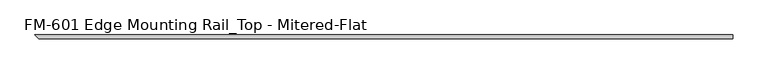
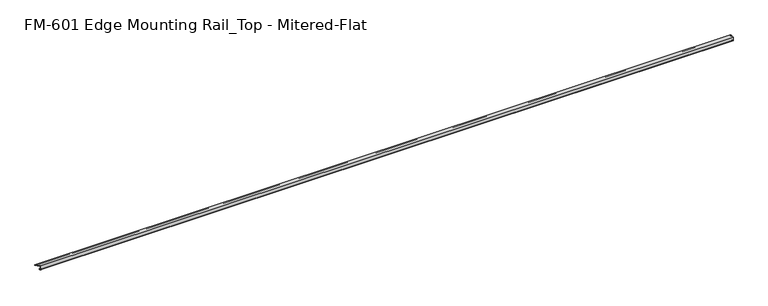
"""IFC4 building model written with IfcOpenShell, lengths in millimetres: proxy geometry, FM-601 Edge Mounting Rail_Top - Mitered-Flat."""

import ifcopenshell
import ifcopenshell.guid

model = None  # the IFC model being written
_history = None  # IfcOwnerHistory: only IFC2X3 demands one
_inside = {}  # id of a spatial element -> (the spatial element, [elements in it])
_under = {}  # id of a project, library or spatial element -> (it, [spatial elements below it])
_declared = {}  # id of a project -> (the project, [libraries it declares])
_typed = {}  # id of a type object -> (the type object, [elements of that type])
_made_of = {}  # id of a material, layer set ... -> (it, [elements and type objects made of it])


def new_model(schema):
    """Start an empty IFC model of exactly this schema.

    Asked for "IFC4X3", IfcOpenShell would pick the latest addendum, in which some entities
    have other attributes; the version numbers below select the first issue.
    IFC2X3 requires an IfcOwnerHistory on every rooted entity: one is made here for all.
    """
    global model, _history
    if schema == "IFC4X3":
        model = ifcopenshell.file(schema_version=(4, 3, 0, 0))
    else:
        model = ifcopenshell.file(schema=schema)
    _inside.clear()
    _under.clear()
    _declared.clear()
    _typed.clear()
    _made_of.clear()
    _history = None
    if model.schema == "IFC2X3":
        org = make("IfcOrganization", Name="unknown")
        user = make(
            "IfcPersonAndOrganization",
            ThePerson=make("IfcPerson", FamilyName="unknown"),
            TheOrganization=org,
        )
        app = make(
            "IfcApplication",
            ApplicationDeveloper=org,
            Version="unknown",
            ApplicationFullName="unknown",
            ApplicationIdentifier="unknown",
        )
        _history = make(
            "IfcOwnerHistory",
            OwningUser=user,
            OwningApplication=app,
            ChangeAction="ADDED",
            CreationDate=0,
        )
    return model


def make(cls, **values):
    """One entity of the class cls with the attributes given. An attribute that is None is left unset."""
    return model.create_entity(
        cls, **{name: value for name, value in values.items() if value is not None}
    )


def rooted(cls, **values):
    """An entity with a GlobalId (a new one), such as an element, a storey or a relation."""
    return make(cls, GlobalId=ifcopenshell.guid.new(), OwnerHistory=_history, **values)


def si_unit(unit_type, name, prefix=None):
    """IfcSIUnit, for example si_unit("LENGTHUNIT", "METRE", prefix="MILLI")."""
    return make("IfcSIUnit", UnitType=unit_type, Prefix=prefix, Name=name)


def assignment(units):
    """IfcUnitAssignment: the units of a project."""
    return None if units is None else make("IfcUnitAssignment", Units=units)


def point(xyz):
    """IfcCartesianPoint."""
    return None if xyz is None else make("IfcCartesianPoint", Coordinates=xyz)


def direction(xyz):
    """IfcDirection."""
    return None if xyz is None else make("IfcDirection", DirectionRatios=xyz)


def frame(location, z_axis=None, x_axis=None):
    """IfcAxis2Placement3D, a coordinate frame: its origin and axes. An axis left out is left unset."""
    return make(
        "IfcAxis2Placement3D",
        Location=point(location),
        Axis=direction(z_axis),
        RefDirection=direction(x_axis),
    )


def origin():
    """The frame at (0, 0, 0) with its axes left unset."""
    return frame((0.0, 0.0, 0.0))


def place(relative_to, where):
    """IfcLocalPlacement: puts the frame where relative to a parent placement (None: the world)."""
    return make(
        "IfcLocalPlacement", PlacementRelTo=relative_to, RelativePlacement=where
    )


def context(
    kind, dimensions, precision=None, world=None, true_north=None, identifier=None
):
    """IfcGeometricRepresentationContext, for example the 3D "Model" context."""
    return make(
        "IfcGeometricRepresentationContext",
        ContextIdentifier=identifier,
        ContextType=kind,
        CoordinateSpaceDimension=dimensions,
        Precision=precision,
        WorldCoordinateSystem=world,
        TrueNorth=true_north,
    )


def project(units=None, contexts=None):
    """IfcProject with its units and contexts."""
    return rooted(
        "IfcProject",
        Name="project",
        RepresentationContexts=contexts,
        UnitsInContext=assignment(units),
    )


def spatial(cls, under=None, at=None, **own):
    """A site, building, storey or space (cls), placed at a placement, below another one or the project."""
    s = rooted(cls, ObjectPlacement=at, **own)
    if under is not None:
        _under.setdefault(under.id(), (under, []))[1].append(s)
    return s


def polyline(points):
    """IfcPolyline through the points."""
    return make("IfcPolyline", Points=[point(p) for p in points])


def circle_curve(where, radius):
    """IfcCircle in the frame where."""
    return make("IfcCircle", Position=where, Radius=radius)


def ellipse_curve(where, semi_axis1, semi_axis2):
    """IfcEllipse in the frame where."""
    return make(
        "IfcEllipse", Position=where, SemiAxis1=semi_axis1, SemiAxis2=semi_axis2
    )


def shape(context_of_items, identifier, shape_type, items):
    """IfcShapeRepresentation: the items that make up one representation, for example the "Body"."""
    return make(
        "IfcShapeRepresentation",
        ContextOfItems=context_of_items,
        RepresentationIdentifier=identifier,
        RepresentationType=shape_type,
        Items=items,
    )


def source(mapping_origin, context_of_items, identifier, shape_type, items):
    """IfcRepresentationMap: a shape defined once, which mapped items show again and again."""
    return make(
        "IfcRepresentationMap",
        MappingOrigin=mapping_origin,
        MappedRepresentation=shape(context_of_items, identifier, shape_type, items),
    )


def transform(
    local_origin,
    x_axis=None,
    y_axis=None,
    z_axis=None,
    scale=None,
    scale2=None,
    scale3=None,
    uniform=True,
):
    """IfcCartesianTransformationOperator3D, or its non-uniform kind. x_axis, y_axis, z_axis: its Axis1, 2, 3."""
    if uniform:
        return make(
            "IfcCartesianTransformationOperator3D",
            Axis1=direction(x_axis),
            Axis2=direction(y_axis),
            LocalOrigin=point(local_origin),
            Scale=scale,
            Axis3=direction(z_axis),
        )
    return make(
        "IfcCartesianTransformationOperator3DnonUniform",
        Axis1=direction(x_axis),
        Axis2=direction(y_axis),
        LocalOrigin=point(local_origin),
        Scale=scale,
        Axis3=direction(z_axis),
        Scale2=scale2,
        Scale3=scale3,
    )


def mapped(mapping_source, mapping_target):
    """IfcMappedItem: shows the shape of a source again, moved by a transform."""
    return make(
        "IfcMappedItem", MappingSource=mapping_source, MappingTarget=mapping_target
    )


def made_of(thing, what):
    """Note that an element or type object is made of a material, layer set ...; save() writes the relation."""
    if what is not None:
        _made_of.setdefault(what.id(), (what, []))[1].append(thing)
    return thing


def element(
    cls,
    number,
    at=None,
    inside=None,
    cuts=None,
    type_object=None,
    material=None,
    context=None,
    identifier="Body",
    shape_type=None,
    held_by="IfcProductDefinitionShape",
    body=None,
    shapes=None,
    **own,
):
    """One element of the class cls, such as IfcWall. Its Tag is "e" and its number.

    at: its placement. inside: the storey or other place that contains it. cuts: it is an
    opening in that element (IfcRelVoidsElement). A single representation is given by context,
    identifier, shape_type and body (its items); several are given by shapes. held_by: the class
    of the entity that holds the representations. save() writes the other relations.
    """
    e = rooted(cls, Tag="e%d" % number, ObjectPlacement=at, **own)
    if body is not None:
        shapes = [shape(context, identifier, shape_type, body)]
    if shapes is not None:
        e.Representation = make(held_by, Representations=shapes)
    if inside is not None:
        _inside.setdefault(inside.id(), (inside, []))[1].append(e)
    if cuts is not None:
        rooted(
            "IfcRelVoidsElement", RelatingBuildingElement=cuts, RelatedOpeningElement=e
        )
    if type_object is not None:
        _typed.setdefault(type_object.id(), (type_object, []))[1].append(e)
    return made_of(e, material)


def aggregate(whole, parts):
    """IfcRelAggregates: a whole, such as a stair, and the parts it consists of."""
    return rooted("IfcRelAggregates", RelatingObject=whole, RelatedObjects=parts)


def save(model, path):
    """Write the relations noted so far, then the file.

    IfcRelAggregates (storeys below a building ...), IfcRelContainedInSpatialStructure (elements
    in a storey), IfcRelDefinesByType, IfcRelAssociatesMaterial and IfcRelDeclares: one each for
    every whole, place, type object, material and project.
    """
    for whole, parts in _under.values():
        aggregate(whole, parts)
    for where, things in _inside.values():
        rooted(
            "IfcRelContainedInSpatialStructure",
            RelatedElements=things,
            RelatingStructure=where,
        )
    for kind, things in _typed.values():
        rooted("IfcRelDefinesByType", RelatedObjects=things, RelatingType=kind)
    for what, things in _made_of.values():
        rooted("IfcRelAssociatesMaterial", RelatedObjects=things, RelatingMaterial=what)
    for by, libraries in _declared.values():
        rooted("IfcRelDeclares", RelatingContext=by, RelatedDefinitions=libraries)
    model.write(path)


def plane_surface(at):
    """IfcPlane: the flat surface through the origin of the frame at, square to its z axis."""
    return make("IfcPlane", Position=at)


def cylinder_surface(at, radius):
    """IfcCylindricalSurface: all points at the distance radius from the z axis of the frame at."""
    return make("IfcCylindricalSurface", Position=at, Radius=radius)


def revolved_surface(curve, axis_point, axis_direction):
    """IfcSurfaceOfRevolution: the curve turned about the line through axis_point along axis_direction."""
    return make(
        "IfcSurfaceOfRevolution",
        SweptCurve=make("IfcArbitraryOpenProfileDef", ProfileType="CURVE", Curve=curve),
        AxisPosition=make("IfcAxis1Placement", Location=point(axis_point), Axis=direction(axis_direction)),
    )


def advanced_brep(points, edges, surfaces, faces):
    """IfcAdvancedBrep: a solid bounded by faces that lie on surfaces and meet in shared edges.

    An edge is (start, end): straight between two places in points (the first is 0);
    or (start, end, curve); or (start, end, curve, False) where it runs against its curve.
    A face is (place in surfaces, loops), or (place, loops, False) where it looks against
    its surface's normal. A loop lists edges by number (the first is 1), with a minus sign
    where the edge is run from its end to its start. The first loop is the outer one.
    """
    corners = [point(p) for p in points]
    vertices = [make("IfcVertexPoint", VertexGeometry=c) for c in corners]
    made = []
    for start, end, *more in edges:
        made.append(
            make(
                "IfcEdgeCurve",
                EdgeStart=vertices[start],
                EdgeEnd=vertices[end],
                EdgeGeometry=more[0] if more else make("IfcPolyline", Points=[corners[start], corners[end]]),
                SameSense=more[1] if len(more) > 1 else True,
            )
        )
    hull = []
    for where, loops, *sense in faces:
        bounds = []
        for j, loop in enumerate(loops):
            ring = [make("IfcOrientedEdge", EdgeElement=made[abs(k) - 1], Orientation=k > 0) for k in loop]
            bounds.append(
                make(
                    "IfcFaceOuterBound" if j == 0 else "IfcFaceBound",
                    Bound=make("IfcEdgeLoop", EdgeList=ring),
                    Orientation=True,
                )
            )
        hull.append(make("IfcAdvancedFace", Bounds=bounds, FaceSurface=surfaces[where], SameSense=sense[0] if sense else True))
    return make("IfcAdvancedBrep", Outer=make("IfcClosedShell", CfsFaces=hull))


def fm_601_edge_mounting_rail_top_mitered_flat_6e8e00cc(model_context):
    return source(origin(), model_context, "Body", "AdvancedBrep", [
        advanced_brep(
        [(5366.940625, -13.6400687, -32.1158903), (5366.940625, -11.9462301, -30.7938136), (5366.940625, -13.6400687, -26.2967369), (5366.940625, -15.4364113, -25.7360779), (5366.940625, -16.1779173, -26.4138515), (5366.940625, -16.9376166, -27.3612928), (5366.940625, -17.4625, -26.8535734), (5366.940625, -17.4625, -15.6659614), (5366.940625, -17.9716639, -14.7485418), (5366.940625, -17.9716639, -13.408381), (5366.940625, -17.4625, -12.4909614), (5366.940625, -17.4625, -3.5152595), (5366.940625, -15.5573314, -1.6102595), (5366.940625, -5.1950152, -1.6006758), (5366.940625, -2.0200702, -1.5873909), (5366.940625, 2.4770278, -1.5873909), (5366.940625, 5.6266278, -1.5873909), (5366.940625, 9.4970359, -1.5873909), (5366.940625, 9.4970359, 0.0), (5366.940625, -19.05, 0.0), (5366.940625, -19.05, -29.1395734), (5366.940625, -17.7424378, -29.1395734), (5366.940625, -16.1549378, -30.7270734), (5366.940625, -16.1549378, -32.2686835), (5366.940625, -15.4750158, -32.6885982), (24.9720517, -15.4750158, -32.6885982), (23.1371047, -13.6400687, -32.1158903), (25.6519738, -16.1549378, -32.2686835), (25.6519738, -16.1549378, -30.7270734), (27.2394738, -17.7424378, -29.1395734), (28.5470359, -19.05, -29.1395734), (28.5470359, -19.05, 0.0), (0.0, 9.4970359, 0.0), (26.9595359, -17.4625, -3.5152595), (25.0543673, -15.5573314, -1.6102595), (26.9595359, -17.4625, -12.4909614), (27.4686998, -17.9716639, -13.408381), (27.4686998, -17.9716639, -14.7485418), (26.9595359, -17.4625, -15.6659614), (26.9595359, -17.4625, -26.8535734), (26.4346526, -16.9376166, -27.3612928), (25.6749532, -16.1779173, -26.4138515), (24.9334472, -15.4364113, -25.7360779), (23.1371047, -13.6400687, -26.2967369), (21.443266, -11.9462301, -30.7938136), (14.6920512, -5.1950152, -1.6006758), (11.5171061, -2.0200702, -1.5873909), (7.0200081, 2.4770278, -1.5873909), (3.8704081, 5.6266278, -1.5873909), (0.0, 9.4970359, -1.5873909)],
        [
            (0, 1, circle_curve(frame((5366.940625, -14.5481808, -29.2063136), z_axis=(1.0, 0.0, 0.0), x_axis=(0.0, 1.0, 0.0)), 3.048)),
            (1, 2, circle_curve(frame((5366.940625, -14.5481808, -29.2063136), z_axis=(1.0, 0.0, 0.0), x_axis=(0.0, 1.0, 0.0)), 3.048)),
            (2, 3),
            (3, 4, circle_curve(frame((5366.940625, -15.6245238, -26.2747792), z_axis=(1.0, 0.0, 0.0), x_axis=(0.0, 1.0, 0.0)), 0.5706009)),
            (4, 5, circle_curve(frame((5366.940625, -16.9169378, -26.5995734), z_axis=(-1.0, 0.0, 0.0), x_axis=(0.0, 1.0, 0.0)), 0.762)),
            (5, 6, circle_curve(frame((5366.940625, -16.9545, -26.8535734), z_axis=(-1.0, 0.0, 0.0), x_axis=(0.0, 1.0, 0.0)), 0.508)),
            (6, 7),
            (7, 8),
            (8, 9),
            (9, 10),
            (10, 11),
            (11, 12, circle_curve(frame((5366.940625, -15.5575, -3.5152595), z_axis=(-1.0, 0.0, 0.0), x_axis=(0.0, 1.0, 0.0)), 1.905)),
            (12, 13),
            (13, 14, circle_curve(frame((5366.940625, -3.6075705, -1.5873909), z_axis=(1.0, 0.0, 0.0), x_axis=(0.0, 1.0, 0.0)), 1.5875003)),
            (14, 15),
            (15, 16, circle_curve(frame((5366.940625, 4.0518278, -1.5873909), z_axis=(1.0, 0.0, 0.0), x_axis=(0.0, 1.0, 0.0)), 1.5748)),
            (16, 17),
            (17, 18),
            (18, 19),
            (19, 20),
            (20, 21),
            (21, 22, circle_curve(frame((5366.940625, -17.7424378, -30.7270734), z_axis=(-1.0, 0.0, 0.0), x_axis=(0.0, 1.0, 0.0)), 1.5875)),
            (22, 23),
            (23, 24, circle_curve(frame((5366.940625, -15.6853088, -32.2686835), z_axis=(1.0, 0.0, 0.0), x_axis=(0.0, 1.0, 0.0)), 0.4696291)),
            (24, 0),
            (24, 25),
            (25, 26),
            (26, 0),
            (23, 27),
            (27, 25, ellipse_curve(frame((25.1823447, -15.6853088, -32.2686835), z_axis=(0.7071067811863617, 0.7071067811867334, 0.0), x_axis=(-0.7071067811867332, 0.7071067811863618, 0.0)), 0.6641558, 0.4696291)),
            (22, 28),
            (28, 27),
            (21, 29),
            (29, 28, ellipse_curve(frame((27.2394738, -17.7424378, -30.7270734), z_axis=(-0.7071067811863617, -0.7071067811867334, 0.0), x_axis=(0.7071067811867332, -0.7071067811863618, 0.0)), 2.245064, 1.5875)),
            (20, 30),
            (30, 29),
            (19, 31),
            (31, 30),
            (18, 32),
            (32, 31),
            (11, 33),
            (33, 34, ellipse_curve(frame((25.0545359, -15.5575, -3.5152595), z_axis=(-0.7071067811863617, -0.7071067811867334, 0.0), x_axis=(0.7071067811867332, -0.7071067811863618, 0.0)), 2.6940768, 1.905)),
            (34, 12),
            (10, 35),
            (35, 33),
            (9, 36),
            (36, 35),
            (8, 37),
            (37, 36),
            (7, 38),
            (38, 37),
            (6, 39),
            (39, 38),
            (5, 40),
            (40, 39, ellipse_curve(frame((26.4515359, -16.9545, -26.8535734), z_axis=(-0.7071067811863617, -0.7071067811867334, 0.0), x_axis=(0.7071067811867332, -0.7071067811863618, 0.0)), 0.7184205, 0.508)),
            (4, 41),
            (41, 40, ellipse_curve(frame((26.4139738, -16.9169378, -26.5995734), z_axis=(-0.7071067811863617, -0.7071067811867334, 0.0), x_axis=(0.7071067811867332, -0.7071067811863618, 0.0)), 1.0776307, 0.762)),
            (3, 42),
            (42, 41, ellipse_curve(frame((25.1215597, -15.6245238, -26.2747792), z_axis=(0.7071067811863617, 0.7071067811867334, 0.0), x_axis=(-0.7071067811867332, 0.7071067811863618, 0.0)), 0.8069516, 0.5706009)),
            (2, 43),
            (43, 42),
            (1, 44),
            (44, 43, ellipse_curve(frame((24.0452167, -14.5481808, -29.2063136), z_axis=(0.7071067811863617, 0.7071067811867334, 0.0), x_axis=(-0.7071067811867332, 0.7071067811863618, 0.0)), 4.3105229, 3.048)),
            (26, 44, ellipse_curve(frame((24.0452167, -14.5481808, -29.2063136), z_axis=(0.7071067811863617, 0.7071067811867334, 0.0), x_axis=(-0.7071067811867332, 0.7071067811863618, 0.0)), 4.3105229, 3.048)),
            (13, 45),
            (45, 46, ellipse_curve(frame((13.1046064, -3.6075705, -1.5873909), z_axis=(0.7071067811863617, 0.7071067811867334, 0.0), x_axis=(-0.7071067811867332, 0.7071067811863618, 0.0)), 2.2450645, 1.5875003)),
            (46, 14),
            (34, 45),
            (46, 47),
            (47, 15),
            (47, 48, ellipse_curve(frame((5.4452081, 4.0518278, -1.5873909), z_axis=(0.7071067811863617, 0.7071067811867334, 0.0), x_axis=(-0.7071067811867332, 0.7071067811863618, 0.0)), 2.2271035, 1.5748)),
            (48, 16),
            (48, 49),
            (49, 17),
            (49, 32),
        ],
        [
            plane_surface(frame((5366.940625, -11.5001808, -29.2063136), z_axis=(1.0, 0.0, 0.0), x_axis=(0.0, 0.0, -1.0))),
            plane_surface(frame((0.0, -15.4750158, -32.6885982), z_axis=(0.0, 0.2979370393092848, -0.9545855229405157), x_axis=(1.0, 0.0, 0.0))),
            cylinder_surface(frame((5366.940625, -15.6853088, -32.2686835), z_axis=(-1.0, 0.0, 0.0), x_axis=(0.0, 1.0, 0.0)), 0.4696291),
            plane_surface(frame((0.0, -16.1549378, -30.7270734), z_axis=(0.0, -1.0, 0.0), x_axis=(1.0, 0.0, 0.0))),
            revolved_surface(polyline([(5366.940625, -16.154937800000003, -30.7270734), (25.651973799999723, -16.154937800000003, -30.7270734)]), (5366.940625, -17.7424378, -30.7270734), (1.0, 0.0, 0.0)),
            plane_surface(frame((0.0, -19.05, -29.1395734), z_axis=(0.0, 0.0, -1.0), x_axis=(1.0, 0.0, 0.0))),
            plane_surface(frame((0.0, -19.05, 0.0), z_axis=(0.0, -1.0, 0.0), x_axis=(1.0, 0.0, 0.0))),
            plane_surface(frame((0.0, 9.4970359, 0.0), z_axis=(0.0, 0.0, 1.0), x_axis=(1.0, 0.0, 0.0))),
            revolved_surface(polyline([(5366.940625, -13.6525, -3.5152595), (23.149535925682358, -13.6525, -3.5152595)]), (5366.940625, -15.5575, -3.5152595), (1.0, 0.0, 0.0)),
            plane_surface(frame((0.0, -17.4625, -12.4909614), z_axis=(0.0, 1.0, 0.0), x_axis=(1.0, 0.0, 0.0))),
            plane_surface(frame((0.0, -17.9716639, -13.408381), z_axis=(0.0, 0.8743650443659625, -0.48526875975165407), x_axis=(1.0, 0.0, 0.0))),
            plane_surface(frame((0.0, -17.9716639, -14.7485418), z_axis=(0.0, 1.0, 0.0), x_axis=(1.0, 0.0, 0.0))),
            plane_surface(frame((0.0, -17.4625, -15.6659614), z_axis=(0.0, 0.8743650443696195, 0.48526875974506484), x_axis=(1.0, 0.0, 0.0))),
            plane_surface(frame((0.0, -17.4625, -26.8535734), z_axis=(0.0, 1.0, 0.0), x_axis=(1.0, 0.0, 0.0))),
            revolved_surface(polyline([(5366.940625, -16.4465, -26.8535734), (25.943535892705768, -16.4465, -26.8535734)]), (5366.940625, -16.9545, -26.8535734), (1.0, 0.0, 0.0)),
            revolved_surface(polyline([(5366.940625, -16.1549378, -26.5995734), (25.65197382441511, -16.1549378, -26.5995734)]), (5366.940625, -16.9169378, -26.5995734), (1.0, 0.0, 0.0)),
            cylinder_surface(frame((5366.940625, -15.6245238, -26.2747792), z_axis=(-1.0, 0.0, 0.0), x_axis=(0.0, 1.0, 0.0)), 0.5706009),
            plane_surface(frame((0.0, -13.6400687, -26.2967369), z_axis=(0.0, 0.29793703931025856, 0.9545855229402118), x_axis=(1.0, 0.0, 0.0))),
            cylinder_surface(frame((5366.940625, -14.5481808, -29.2063136), z_axis=(-1.0, 0.0, 0.0), x_axis=(0.0, 1.0, 0.0)), 3.048),
            cylinder_surface(frame((5366.940625, -3.6075705, -1.5873909), z_axis=(-1.0, 0.0, 0.0), x_axis=(0.0, 1.0, 0.0)), 1.5875003),
            plane_surface(frame((0.0, -15.5573314, -1.6102595), z_axis=(0.0, 0.0009248633080168288, -0.9999995723138393), x_axis=(1.0, 0.0, 0.0))),
            plane_surface(frame((0.0, -2.0200702, -1.5873909), z_axis=(0.0, 0.0, -1.0), x_axis=(1.0, 0.0, 0.0))),
            cylinder_surface(frame((5366.940625, 4.0518278, -1.5873909), z_axis=(-1.0, 0.0, 0.0), x_axis=(0.0, 1.0, 0.0)), 1.5748),
            plane_surface(frame((0.0, 5.6266278, -1.5873909), z_axis=(0.0, 0.0, -1.0), x_axis=(1.0, 0.0, 0.0))),
            plane_surface(frame((0.0, 9.4970359, -1.5873909), z_axis=(0.0, 1.0, 0.0), x_axis=(1.0, 0.0, 0.0))),
            plane_surface(frame((0.0, 9.4970359, 0.0), z_axis=(-0.7071067811863617, -0.7071067811867334, 0.0), x_axis=(0.0, 0.0, -1.0))),
        ],
        [
            (0, [[1, 2, 3, 4, 5, 6, 7, 8, 9, 10, 11, 12, 13, 14, 15, 16, 17, 18, 19, 20, 21, 22, 23, 24, 25]]),
            (1, [[26, 27, 28, -25]]),
            (2, [[29, 30, -26, -24]]),
            (3, [[31, 32, -29, -23]]),
            (4, [[33, 34, -31, -22]]),
            (5, [[35, 36, -33, -21]]),
            (6, [[37, 38, -35, -20]]),
            (7, [[39, 40, -37, -19]]),
            (8, [[41, 42, 43, -12]]),
            (9, [[44, 45, -41, -11]]),
            (10, [[46, 47, -44, -10]]),
            (11, [[48, 49, -46, -9]]),
            (12, [[50, 51, -48, -8]]),
            (13, [[52, 53, -50, -7]]),
            (14, [[54, 55, -52, -6]]),
            (15, [[56, 57, -54, -5]]),
            (16, [[58, 59, -56, -4]]),
            (17, [[60, 61, -58, -3]]),
            (18, [[62, 63, -60, -2]]),
            (18, [[-28, 64, -62, -1]]),
            (19, [[65, 66, 67, -14]]),
            (20, [[-43, 68, -65, -13]]),
            (21, [[-67, 69, 70, -15]]),
            (22, [[-70, 71, 72, -16]]),
            (23, [[-72, 73, 74, -17]]),
            (24, [[-74, 75, -39, -18]]),
            (25, [[-30, -32, -34, -36, -38, -40, -75, -73, -71, -69, -66, -68, -42, -45, -47, -49, -51, -53, -55, -57, -59, -61, -63, -64, -27]]),
        ],
    ),
    ])


if __name__ == "__main__":
    model = new_model("IFC4")
    model_context = context("Model", 3, world=origin())
    ifc_project = project(units=[si_unit("LENGTHUNIT", "METRE", prefix="MILLI")], contexts=[model_context])
    site = spatial("IfcSite", under=ifc_project)
    building = spatial("IfcBuilding", under=site)
    placement = place(None, origin())
    fm_601_edge_mounting_rail_top_mitered_flat_shape = fm_601_edge_mounting_rail_top_mitered_flat_6e8e00cc(model_context)
    element("IfcBuildingElementProxy", 1, Name="FM-601 Edge Mounting Rail_Top - Mitered-Flat", ObjectType="FM-601 Edge Mounting Rail_Top - Mitered-Flat", at=placement, inside=building, context=model_context, shape_type="MappedRepresentation", body=[
        mapped(fm_601_edge_mounting_rail_top_mitered_flat_shape, transform((0.0, 0.0, 0.0), x_axis=(1.0, 0.0, 0.0), y_axis=(0.0, 1.0, 0.0), z_axis=(0.0, 0.0, 1.0))),
    ])
    save(model, "model.ifc")
